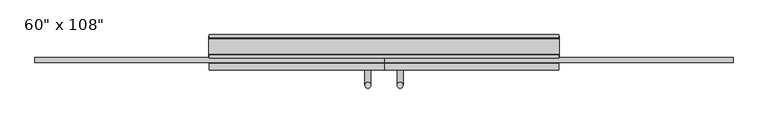
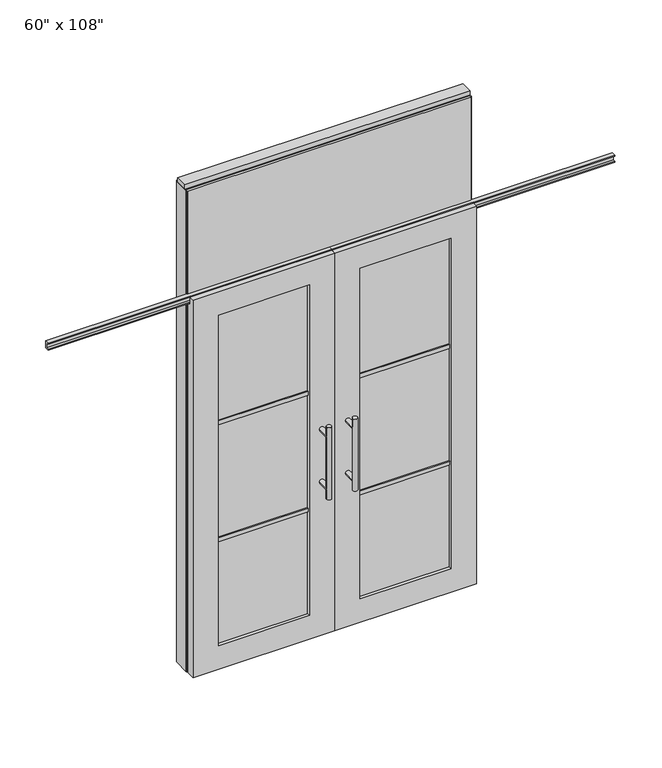
"""IFC4 building model written with IfcOpenShell, lengths in millimetres: furniture geometry."""

from ifc_helpers import new_model, si_unit, frame, origin, origin_with_axes, place, context, project, spatial, polyline, circle_curve, ellipse_curve, outline, extrude, faceted_brep, source, transform, mapped, element, save
from ifc_brep_helpers import plane_surface, cylinder_surface, advanced_brep


def furniture_05fa6e25(model_context):
    return source(origin(), model_context, "Body", "SolidModel", [
        extrude(outline(polyline([(698.0264771, 46.2822784), (698.0264771, 33.5822784), (-818.0995229, 33.5822784), (-818.0995229, 46.2822784), (698.0264771, 46.2822784)])), frame((0.0, 0.0, 2133.6), z_axis=(0.0, 0.0, 1.0), x_axis=(1.0, 0.0, 0.0)), (0.0, 0.0, 1.0), 584.2),
        extrude(outline(polyline([(698.0264771, -55.3177216), (-818.0995229, -55.3177216), (-818.0995229, -42.6177216), (698.0264771, -42.6177216), (698.0264771, -55.3177216)])), frame((0.0, 0.0, 2133.6), z_axis=(0.0, 0.0, 1.0), x_axis=(1.0, 0.0, 0.0)), (0.0, 0.0, 1.0), 584.2),
        advanced_brep(
        [(-117.3135229, 5.8962784, 1219.2), (-142.7135229, 5.8962784, 1219.2), (-117.3135229, 5.8962784, 812.8), (-142.7135229, 5.8962784, 812.8), (-117.3135229, 5.8962784, 1164.336), (-117.3135229, 5.8962784, 867.664), (-142.7135229, 5.8962784, 867.664), (-142.7135229, 5.8962784, 1164.336), (-117.3135229, -61.6677216, 1164.336), (-142.7135229, -61.6677216, 1164.336), (-117.3135229, -61.6677216, 867.664), (-142.7135229, -61.6677216, 867.664)],
        [
            (0, 1, circle_curve(frame((-130.0135229, 5.8962784, 1219.2), z_axis=(0.0, 0.0, 1.0), x_axis=(-1.0, 0.0, 0.0)), 12.7)),
            (1, 0, circle_curve(frame((-130.0135229, 5.8962784, 1219.2), z_axis=(0.0, 0.0, 1.0), x_axis=(-1.0, 0.0, 0.0)), 12.7)),
            (2, 3, circle_curve(frame((-130.0135229, 5.8962784, 812.8), z_axis=(0.0, 0.0, -1.0), x_axis=(-1.0, 0.0, 0.0)), 12.7)),
            (3, 2, circle_curve(frame((-130.0135229, 5.8962784, 812.8), z_axis=(0.0, 0.0, -1.0), x_axis=(-1.0, 0.0, 0.0)), 12.7)),
            (0, 4),
            (4, 5),
            (5, 2),
            (3, 6),
            (6, 7),
            (7, 1),
            (7, 4, ellipse_curve(frame((-130.0135229, 5.8962784, 1164.336), z_axis=(0.0, 0.707106781186565, 0.70710678118653), x_axis=(0.0, -0.70710678118653, 0.707106781186565)), 17.9605122, 12.7)),
            (5, 6, ellipse_curve(frame((-130.0135229, 5.8962784, 867.664), z_axis=(0.0, 0.70710678118653, -0.7071067811865649), x_axis=(0.0, 0.7071067811865648, 0.7071067811865301)), 17.9605122, 12.7)),
            (4, 7, ellipse_curve(frame((-130.0135229, 5.8962784, 1164.336), z_axis=(0.0, 0.70710678118653, -0.7071067811865649), x_axis=(0.0, 0.7071067811865648, 0.7071067811865301)), 17.9605122, 12.7)),
            (6, 5, ellipse_curve(frame((-130.0135229, 5.8962784, 867.664), z_axis=(0.0, 0.707106781186565, 0.70710678118653), x_axis=(0.0, -0.70710678118653, 0.707106781186565)), 17.9605122, 12.7)),
            (8, 9, circle_curve(frame((-130.0135229, -61.6677216, 1164.336), z_axis=(0.0, -1.0, 0.0), x_axis=(-1.0, 0.0, 0.0)), 12.7)),
            (9, 8, circle_curve(frame((-130.0135229, -61.6677216, 1164.336), z_axis=(0.0, -1.0, 0.0), x_axis=(-1.0, 0.0, 0.0)), 12.7)),
            (9, 7),
            (4, 8),
            (10, 11, circle_curve(frame((-130.0135229, -61.6677216, 867.664), z_axis=(0.0, -1.0, 0.0), x_axis=(-1.0, 0.0, 0.0)), 12.7)),
            (11, 10, circle_curve(frame((-130.0135229, -61.6677216, 867.664), z_axis=(0.0, -1.0, 0.0), x_axis=(-1.0, 0.0, 0.0)), 12.7)),
            (11, 6),
            (5, 10),
        ],
        [
            plane_surface(frame((-142.7135229, 5.8962784, 1219.2), z_axis=(0.0, 0.0, 1.0), x_axis=(0.0, -1.0, 0.0))),
            plane_surface(frame((-142.7135229, 5.8962784, 812.8), z_axis=(0.0, 0.0, -1.0), x_axis=(0.0, 1.0, 0.0))),
            cylinder_surface(frame((-130.0135229, 5.8962784, 812.8), z_axis=(0.0, 0.0, 1.0), x_axis=(-1.0, 0.0, 0.0)), 12.7),
            plane_surface(frame((-142.7135229, -61.6677216, 1164.336), z_axis=(0.0, -1.0, 0.0), x_axis=(0.0, 0.0, -1.0))),
            cylinder_surface(frame((-130.0135229, -61.6677216, 1164.336), z_axis=(0.0, 1.0, 0.0), x_axis=(-1.0, 0.0, 0.0)), 12.7),
            plane_surface(frame((-142.7135229, -61.6677216, 867.664), z_axis=(0.0, -1.0, 0.0), x_axis=(0.0, 0.0, -1.0))),
            cylinder_surface(frame((-130.0135229, -61.6677216, 867.664), z_axis=(0.0, 1.0, 0.0), x_axis=(-1.0, 0.0, 0.0)), 12.7),
        ],
        [
            (0, [[1, 2]]),
            (1, [[3, 4]]),
            (2, [[-1, 5, 6, 7, -4, 8, 9, 10]]),
            (2, [[-2, -10, 11, -5]]),
            (2, [[-3, -7, 12, -8]]),
            (2, [[13, -9, 14, -6]]),
            (3, [[15, 16]]),
            (4, [[-16, 17, -13, 18]]),
            (4, [[-15, -18, -11, -17]]),
            (5, [[19, 20]]),
            (6, [[-20, 21, -12, 22]]),
            (6, [[-19, -22, -14, -21]]),
        ],
    ),
        advanced_brep(
        [(-117.3135229, -173.6817216, 1219.2), (-142.7135229, -173.6817216, 1219.2), (-117.3135229, -173.6817216, 812.8), (-142.7135229, -173.6817216, 812.8), (-142.7135229, -173.6817216, 1164.336), (-142.7135229, -173.6817216, 867.664), (-117.3135229, -173.6817216, 867.664), (-117.3135229, -173.6817216, 1164.336), (-117.3135229, -106.1177216, 1164.336), (-142.7135229, -106.1177216, 1164.336), (-117.3135229, -106.1177216, 867.664), (-142.7135229, -106.1177216, 867.664)],
        [
            (0, 1, circle_curve(frame((-130.0135229, -173.6817216, 1219.2), z_axis=(0.0, 0.0, 1.0), x_axis=(-1.0, 0.0, 0.0)), 12.7)),
            (1, 0, circle_curve(frame((-130.0135229, -173.6817216, 1219.2), z_axis=(0.0, 0.0, 1.0), x_axis=(-1.0, 0.0, 0.0)), 12.7)),
            (2, 3, circle_curve(frame((-130.0135229, -173.6817216, 812.8), z_axis=(0.0, 0.0, -1.0), x_axis=(-1.0, 0.0, 0.0)), 12.7)),
            (3, 2, circle_curve(frame((-130.0135229, -173.6817216, 812.8), z_axis=(0.0, 0.0, -1.0), x_axis=(-1.0, 0.0, 0.0)), 12.7)),
            (1, 4),
            (4, 5),
            (5, 3),
            (2, 6),
            (6, 7),
            (7, 0),
            (6, 5, ellipse_curve(frame((-130.0135229, -173.6817216, 867.664), z_axis=(0.0, -0.707106781186565, 0.70710678118653), x_axis=(0.0, 0.70710678118653, 0.707106781186565)), 17.9605122, 12.7)),
            (4, 7, ellipse_curve(frame((-130.0135229, -173.6817216, 1164.336), z_axis=(0.0, -0.70710678118653, -0.7071067811865649), x_axis=(0.0, -0.7071067811865648, 0.7071067811865301)), 17.9605122, 12.7)),
            (7, 4, ellipse_curve(frame((-130.0135229, -173.6817216, 1164.336), z_axis=(0.0, -0.707106781186565, 0.70710678118653), x_axis=(0.0, 0.70710678118653, 0.707106781186565)), 17.9605122, 12.7)),
            (5, 6, ellipse_curve(frame((-130.0135229, -173.6817216, 867.664), z_axis=(0.0, -0.70710678118653, -0.7071067811865649), x_axis=(0.0, -0.7071067811865648, 0.7071067811865301)), 17.9605122, 12.7)),
            (8, 9, circle_curve(frame((-130.0135229, -106.1177216, 1164.336), z_axis=(0.0, 1.0, 0.0), x_axis=(-1.0, 0.0, 0.0)), 12.7)),
            (9, 8, circle_curve(frame((-130.0135229, -106.1177216, 1164.336), z_axis=(0.0, 1.0, 0.0), x_axis=(-1.0, 0.0, 0.0)), 12.7)),
            (8, 7),
            (4, 9),
            (10, 11, circle_curve(frame((-130.0135229, -106.1177216, 867.664), z_axis=(0.0, 1.0, 0.0), x_axis=(-1.0, 0.0, 0.0)), 12.7)),
            (11, 10, circle_curve(frame((-130.0135229, -106.1177216, 867.664), z_axis=(0.0, 1.0, 0.0), x_axis=(-1.0, 0.0, 0.0)), 12.7)),
            (10, 6),
            (5, 11),
        ],
        [
            plane_surface(frame((-142.7135229, -173.6817216, 1219.2), z_axis=(0.0, 0.0, 1.0), x_axis=(0.0, 1.0, 0.0))),
            plane_surface(frame((-142.7135229, -173.6817216, 812.8), z_axis=(0.0, 0.0, -1.0), x_axis=(0.0, -1.0, 0.0))),
            cylinder_surface(frame((-130.0135229, -173.6817216, 812.8), z_axis=(0.0, 0.0, 1.0), x_axis=(-1.0, 0.0, 0.0)), 12.7),
            plane_surface(frame((-142.7135229, -106.1177216, 1164.336), z_axis=(0.0, 1.0, 0.0), x_axis=(0.0, 0.0, -1.0))),
            cylinder_surface(frame((-130.0135229, -106.1177216, 1164.336), z_axis=(0.0, -1.0, 0.0), x_axis=(-1.0, 0.0, 0.0)), 12.7),
            plane_surface(frame((-142.7135229, -106.1177216, 867.664), z_axis=(0.0, 1.0, 0.0), x_axis=(0.0, 0.0, -1.0))),
            cylinder_surface(frame((-130.0135229, -106.1177216, 867.664), z_axis=(0.0, -1.0, 0.0), x_axis=(-1.0, 0.0, 0.0)), 12.7),
        ],
        [
            (0, [[1, 2]]),
            (1, [[3, 4]]),
            (2, [[5, 6, 7, -3, 8, 9, 10, -2]]),
            (2, [[-9, 11, -6, 12]]),
            (2, [[-10, 13, -5, -1]]),
            (2, [[-7, 14, -8, -4]]),
            (3, [[15, 16]]),
            (4, [[17, -12, 18, -15]]),
            (4, [[-18, -13, -17, -16]]),
            (5, [[19, 20]]),
            (6, [[21, -14, 22, -19]]),
            (6, [[-22, -11, -21, -20]]),
        ],
    ),
        extrude(outline(polyline([(-196.0535229, -95.0052216), (-682.0825229, -95.0052216), (-682.0825229, -72.7802216), (-196.0535229, -72.7802216), (-196.0535229, -95.0052216)])), frame((0.0, 0.0, 1371.6), z_axis=(0.0, 0.0, 1.0), x_axis=(1.0, 0.0, 0.0)), (0.0, 0.0, 1.0), 22.225),
        extrude(outline(polyline([(-196.0535229, -95.0052216), (-682.0825229, -95.0052216), (-682.0825229, -72.7802216), (-196.0535229, -72.7802216), (-196.0535229, -95.0052216)])), frame((0.0, 0.0, 711.2), z_axis=(0.0, 0.0, 1.0), x_axis=(1.0, 0.0, 0.0)), (0.0, 0.0, 1.0), 22.225),
        extrude(outline(polyline([(-682.0825229, -88.9727216), (-682.0825229, -78.8127216), (-196.0535229, -78.8127216), (-196.0535229, -88.9727216), (-682.0825229, -88.9727216)])), frame((0.0, 0.0, 132.969), z_axis=(0.0, 0.0, 1.0), x_axis=(1.0, 0.0, 0.0)), (0.0, 0.0, 1.0), 1867.662),
        extrude(outline(polyline([(-75.3837216, 2097.278), (-75.3837216, 2102.612), (-62.6837216, 2102.612), (-62.6837216, 2131.568), (-75.3837216, 2131.568), (-75.3837216, 2136.902), (-53.6667216, 2136.902), (-53.6667216, 2097.278), (-75.3837216, 2097.278)])), frame((-1576.1625229, 0.0, 0.0), z_axis=(1.0, 0.0, 0.0), x_axis=(0.0, 1.0, 0.0)), (0.0, 0.0, 1.0), 1516.126),
        faceted_brep([(-60.0365229, -106.1177216, 0.0), (-60.0365229, -106.1177216, 2133.6), (-818.0995229, -106.1177216, 2133.6), (-818.0995229, -106.1177216, 0.0), (-682.0825229, -106.1177216, 2000.631), (-196.0535229, -106.1177216, 2000.631), (-196.0535229, -106.1177216, 132.969), (-682.0825229, -106.1177216, 132.969), (-60.0365229, -78.6857216, 2133.6), (-60.0365229, -78.6857216, 2089.023), (-818.0995229, -78.6857216, 2089.023), (-818.0995229, -78.6857216, 2133.6), (-60.0365229, -61.6677216, 0.0), (-60.0365229, -61.6677216, 2089.023), (-818.0995229, -61.6677216, 2089.023), (-818.0995229, -61.6677216, 0.0), (-682.0825229, -61.6677216, 2000.631), (-682.0825229, -61.6677216, 132.969), (-196.0535229, -61.6677216, 132.969), (-196.0535229, -61.6677216, 2000.631)], [[[0, 1, 2, 3], [4, 5, 6, 7]], [[8, 9, 10, 11]], [[0, 12, 13, 9, 8, 1]], [[2, 11, 10, 14, 15, 3]], [[1, 8, 11, 2]], [[14, 13, 12, 15], [16, 17, 18, 19]], [[14, 10, 9, 13]], [[3, 15, 12, 0]], [[7, 17, 16, 4]], [[6, 18, 17, 7]], [[5, 19, 18, 6]], [[4, 16, 19, 5]]]),
        advanced_brep(
        [(-2.7595229, 5.8962784, 1219.2), (22.6404771, 5.8962784, 1219.2), (-2.7595229, 5.8962784, 812.8), (22.6404771, 5.8962784, 812.8), (22.6404771, 5.8962784, 1164.336), (22.6404771, 5.8962784, 867.664), (-2.7595229, 5.8962784, 867.664), (-2.7595229, 5.8962784, 1164.336), (-2.7595229, -61.6677216, 1164.336), (22.6404771, -61.6677216, 1164.336), (-2.7595229, -61.6677216, 867.664), (22.6404771, -61.6677216, 867.664)],
        [
            (0, 1, circle_curve(frame((9.9404771, 5.8962784, 1219.2), z_axis=(0.0, 0.0, 1.0), x_axis=(1.0, 0.0, 0.0)), 12.7)),
            (1, 0, circle_curve(frame((9.9404771, 5.8962784, 1219.2), z_axis=(0.0, 0.0, 1.0), x_axis=(1.0, 0.0, 0.0)), 12.7)),
            (2, 3, circle_curve(frame((9.9404771, 5.8962784, 812.8), z_axis=(0.0, 0.0, -1.0), x_axis=(1.0, 0.0, 0.0)), 12.7)),
            (3, 2, circle_curve(frame((9.9404771, 5.8962784, 812.8), z_axis=(0.0, 0.0, -1.0), x_axis=(1.0, 0.0, 0.0)), 12.7)),
            (1, 4),
            (4, 5),
            (5, 3),
            (2, 6),
            (6, 7),
            (7, 0),
            (6, 5, ellipse_curve(frame((9.9404771, 5.8962784, 867.664), z_axis=(0.0, 0.707106781186565, 0.70710678118653), x_axis=(0.0, -0.70710678118653, 0.707106781186565)), 17.9605122, 12.7)),
            (4, 7, ellipse_curve(frame((9.9404771, 5.8962784, 1164.336), z_axis=(0.0, 0.70710678118653, -0.7071067811865649), x_axis=(0.0, 0.7071067811865648, 0.7071067811865301)), 17.9605122, 12.7)),
            (7, 4, ellipse_curve(frame((9.9404771, 5.8962784, 1164.336), z_axis=(0.0, 0.707106781186565, 0.70710678118653), x_axis=(0.0, -0.70710678118653, 0.707106781186565)), 17.9605122, 12.7)),
            (5, 6, ellipse_curve(frame((9.9404771, 5.8962784, 867.664), z_axis=(0.0, 0.70710678118653, -0.7071067811865649), x_axis=(0.0, 0.7071067811865648, 0.7071067811865301)), 17.9605122, 12.7)),
            (8, 9, circle_curve(frame((9.9404771, -61.6677216, 1164.336), z_axis=(0.0, -1.0, 0.0), x_axis=(1.0, 0.0, 0.0)), 12.7)),
            (9, 8, circle_curve(frame((9.9404771, -61.6677216, 1164.336), z_axis=(0.0, -1.0, 0.0), x_axis=(1.0, 0.0, 0.0)), 12.7)),
            (8, 7),
            (4, 9),
            (10, 11, circle_curve(frame((9.9404771, -61.6677216, 867.664), z_axis=(0.0, -1.0, 0.0), x_axis=(1.0, 0.0, 0.0)), 12.7)),
            (11, 10, circle_curve(frame((9.9404771, -61.6677216, 867.664), z_axis=(0.0, -1.0, 0.0), x_axis=(1.0, 0.0, 0.0)), 12.7)),
            (10, 6),
            (5, 11),
        ],
        [
            plane_surface(frame((22.6404771, 5.8962784, 1219.2), z_axis=(0.0, 0.0, 1.0), x_axis=(0.0, -1.0, 0.0))),
            plane_surface(frame((22.6404771, 5.8962784, 812.8), z_axis=(0.0, 0.0, -1.0), x_axis=(0.0, 1.0, 0.0))),
            cylinder_surface(frame((9.9404771, 5.8962784, 812.8), z_axis=(0.0, 0.0, 1.0), x_axis=(1.0, 0.0, 0.0)), 12.7),
            plane_surface(frame((22.6404771, -61.6677216, 1164.336), z_axis=(0.0, -1.0, 0.0), x_axis=(0.0, 0.0, -1.0))),
            cylinder_surface(frame((9.9404771, -61.6677216, 1164.336), z_axis=(0.0, 1.0, 0.0), x_axis=(1.0, 0.0, 0.0)), 12.7),
            plane_surface(frame((22.6404771, -61.6677216, 867.664), z_axis=(0.0, -1.0, 0.0), x_axis=(0.0, 0.0, -1.0))),
            cylinder_surface(frame((9.9404771, -61.6677216, 867.664), z_axis=(0.0, 1.0, 0.0), x_axis=(1.0, 0.0, 0.0)), 12.7),
        ],
        [
            (0, [[1, 2]]),
            (1, [[3, 4]]),
            (2, [[5, 6, 7, -3, 8, 9, 10, -2]]),
            (2, [[-9, 11, -6, 12]]),
            (2, [[-10, 13, -5, -1]]),
            (2, [[-7, 14, -8, -4]]),
            (3, [[15, 16]]),
            (4, [[17, -12, 18, -15]]),
            (4, [[-18, -13, -17, -16]]),
            (5, [[19, 20]]),
            (6, [[21, -14, 22, -19]]),
            (6, [[-22, -11, -21, -20]]),
        ],
    ),
        advanced_brep(
        [(-2.7595229, -173.6817216, 1219.2), (22.6404771, -173.6817216, 1219.2), (-2.7595229, -173.6817216, 812.8), (22.6404771, -173.6817216, 812.8), (-2.7595229, -173.6817216, 1164.336), (-2.7595229, -173.6817216, 867.664), (22.6404771, -173.6817216, 867.664), (22.6404771, -173.6817216, 1164.336), (-2.7595229, -106.1177216, 1164.336), (22.6404771, -106.1177216, 1164.336), (-2.7595229, -106.1177216, 867.664), (22.6404771, -106.1177216, 867.664)],
        [
            (0, 1, circle_curve(frame((9.9404771, -173.6817216, 1219.2), z_axis=(0.0, 0.0, 1.0), x_axis=(1.0, 0.0, 0.0)), 12.7)),
            (1, 0, circle_curve(frame((9.9404771, -173.6817216, 1219.2), z_axis=(0.0, 0.0, 1.0), x_axis=(1.0, 0.0, 0.0)), 12.7)),
            (2, 3, circle_curve(frame((9.9404771, -173.6817216, 812.8), z_axis=(0.0, 0.0, -1.0), x_axis=(1.0, 0.0, 0.0)), 12.7)),
            (3, 2, circle_curve(frame((9.9404771, -173.6817216, 812.8), z_axis=(0.0, 0.0, -1.0), x_axis=(1.0, 0.0, 0.0)), 12.7)),
            (0, 4),
            (4, 5),
            (5, 2),
            (3, 6),
            (6, 7),
            (7, 1),
            (7, 4, ellipse_curve(frame((9.9404771, -173.6817216, 1164.336), z_axis=(0.0, -0.707106781186565, 0.70710678118653), x_axis=(0.0, 0.70710678118653, 0.707106781186565)), 17.9605122, 12.7)),
            (5, 6, ellipse_curve(frame((9.9404771, -173.6817216, 867.664), z_axis=(0.0, -0.70710678118653, -0.7071067811865649), x_axis=(0.0, -0.7071067811865648, 0.7071067811865301)), 17.9605122, 12.7)),
            (4, 7, ellipse_curve(frame((9.9404771, -173.6817216, 1164.336), z_axis=(0.0, -0.70710678118653, -0.7071067811865649), x_axis=(0.0, -0.7071067811865648, 0.7071067811865301)), 17.9605122, 12.7)),
            (6, 5, ellipse_curve(frame((9.9404771, -173.6817216, 867.664), z_axis=(0.0, -0.707106781186565, 0.70710678118653), x_axis=(0.0, 0.70710678118653, 0.707106781186565)), 17.9605122, 12.7)),
            (8, 9, circle_curve(frame((9.9404771, -106.1177216, 1164.336), z_axis=(0.0, 1.0, 0.0), x_axis=(1.0, 0.0, 0.0)), 12.7)),
            (9, 8, circle_curve(frame((9.9404771, -106.1177216, 1164.336), z_axis=(0.0, 1.0, 0.0), x_axis=(1.0, 0.0, 0.0)), 12.7)),
            (9, 7),
            (4, 8),
            (10, 11, circle_curve(frame((9.9404771, -106.1177216, 867.664), z_axis=(0.0, 1.0, 0.0), x_axis=(1.0, 0.0, 0.0)), 12.7)),
            (11, 10, circle_curve(frame((9.9404771, -106.1177216, 867.664), z_axis=(0.0, 1.0, 0.0), x_axis=(1.0, 0.0, 0.0)), 12.7)),
            (11, 6),
            (5, 10),
        ],
        [
            plane_surface(frame((22.6404771, -173.6817216, 1219.2), z_axis=(0.0, 0.0, 1.0), x_axis=(0.0, 1.0, 0.0))),
            plane_surface(frame((22.6404771, -173.6817216, 812.8), z_axis=(0.0, 0.0, -1.0), x_axis=(0.0, -1.0, 0.0))),
            cylinder_surface(frame((9.9404771, -173.6817216, 812.8), z_axis=(0.0, 0.0, 1.0), x_axis=(1.0, 0.0, 0.0)), 12.7),
            plane_surface(frame((22.6404771, -106.1177216, 1164.336), z_axis=(0.0, 1.0, 0.0), x_axis=(0.0, 0.0, -1.0))),
            cylinder_surface(frame((9.9404771, -106.1177216, 1164.336), z_axis=(0.0, -1.0, 0.0), x_axis=(1.0, 0.0, 0.0)), 12.7),
            plane_surface(frame((22.6404771, -106.1177216, 867.664), z_axis=(0.0, 1.0, 0.0), x_axis=(0.0, 0.0, -1.0))),
            cylinder_surface(frame((9.9404771, -106.1177216, 867.664), z_axis=(0.0, -1.0, 0.0), x_axis=(1.0, 0.0, 0.0)), 12.7),
        ],
        [
            (0, [[1, 2]]),
            (1, [[3, 4]]),
            (2, [[-1, 5, 6, 7, -4, 8, 9, 10]]),
            (2, [[-2, -10, 11, -5]]),
            (2, [[-3, -7, 12, -8]]),
            (2, [[13, -9, 14, -6]]),
            (3, [[15, 16]]),
            (4, [[-16, 17, -13, 18]]),
            (4, [[-15, -18, -11, -17]]),
            (5, [[19, 20]]),
            (6, [[-20, 21, -12, 22]]),
            (6, [[-19, -22, -14, -21]]),
        ],
    ),
        extrude(outline(polyline([(75.9804771, -95.0052216), (75.9804771, -72.7802216), (562.0094771, -72.7802216), (562.0094771, -95.0052216), (75.9804771, -95.0052216)])), frame((0.0, 0.0, 1371.6), z_axis=(0.0, 0.0, 1.0), x_axis=(1.0, 0.0, 0.0)), (0.0, 0.0, 1.0), 22.225),
        extrude(outline(polyline([(75.9804771, -95.0052216), (75.9804771, -72.7802216), (562.0094771, -72.7802216), (562.0094771, -95.0052216), (75.9804771, -95.0052216)])), frame((0.0, 0.0, 711.2), z_axis=(0.0, 0.0, 1.0), x_axis=(1.0, 0.0, 0.0)), (0.0, 0.0, 1.0), 22.225),
        extrude(outline(polyline([(562.0094771, -88.9727216), (75.9804771, -88.9727216), (75.9804771, -78.8127216), (562.0094771, -78.8127216), (562.0094771, -88.9727216)])), frame((0.0, 0.0, 132.969), z_axis=(0.0, 0.0, 1.0), x_axis=(1.0, 0.0, 0.0)), (0.0, 0.0, 1.0), 1867.662),
        extrude(outline(polyline([(-75.3837216, 2097.278), (-75.3837216, 2102.612), (-62.6837216, 2102.612), (-62.6837216, 2131.568), (-75.3837216, 2131.568), (-75.3837216, 2136.902), (-53.6667216, 2136.902), (-53.6667216, 2097.278), (-75.3837216, 2097.278)])), frame((-60.0365229, 0.0, 0.0), z_axis=(1.0, 0.0, 0.0), x_axis=(0.0, 1.0, 0.0)), (0.0, 0.0, 1.0), 1516.126),
        faceted_brep([(-60.0365229, -106.1177216, 0.0), (698.0264771, -106.1177216, 0.0), (698.0264771, -106.1177216, 2133.6), (-60.0365229, -106.1177216, 2133.6), (562.0094771, -106.1177216, 2000.631), (562.0094771, -106.1177216, 132.969), (75.9804771, -106.1177216, 132.969), (75.9804771, -106.1177216, 2000.631), (-60.0365229, -78.6857216, 2133.6), (698.0264771, -78.6857216, 2133.6), (698.0264771, -78.6857216, 2089.023), (-60.0365229, -78.6857216, 2089.023), (-60.0365229, -61.6677216, 2089.023), (-60.0365229, -61.6677216, 0.0), (698.0264771, -61.6677216, 0.0), (698.0264771, -61.6677216, 2089.023), (562.0094771, -61.6677216, 2000.631), (75.9804771, -61.6677216, 2000.631), (75.9804771, -61.6677216, 132.969), (562.0094771, -61.6677216, 132.969)], [[[0, 1, 2, 3], [4, 5, 6, 7]], [[8, 9, 10, 11]], [[0, 3, 8, 11, 12, 13]], [[2, 1, 14, 15, 10, 9]], [[3, 2, 9, 8]], [[15, 14, 13, 12], [16, 17, 18, 19]], [[15, 12, 11, 10]], [[1, 0, 13, 14]], [[5, 4, 16, 19]], [[6, 5, 19, 18]], [[7, 6, 18, 17]], [[4, 7, 17, 16]]]),
        extrude(outline(polyline([(-42.6177216, 2681.478), (-42.6177216, 2717.8), (33.5822784, 2717.8), (33.5822784, 2681.478), (28.6292784, 2681.478), (28.6292784, 2676.525), (-37.6647216, 2676.525), (-37.6647216, 2681.478), (-42.6177216, 2681.478)])), frame((-818.0995229, 0.0, 0.0), z_axis=(1.0, 0.0, 0.0), x_axis=(0.0, 1.0, 0.0)), (0.0, 0.0, 1.0), 1516.126),
        extrude(outline(polyline([(-818.0995229, -55.3177216), (-818.0995229, 46.2822784), (698.0264771, 46.2822784), (698.0264771, -55.3177216), (-818.0995229, -55.3177216)])), frame((0.0, 0.0, 2070.1), z_axis=(0.0, 0.0, 1.0), x_axis=(1.0, 0.0, 0.0)), (0.0, 0.0, 1.0), 22.225),
        extrude(outline(polyline([(-55.3177216, 2097.278), (-55.3177216, 2133.6), (46.2822784, 2133.6), (46.2822784, 2097.278), (41.3292784, 2097.278), (41.3292784, 2092.325), (-50.3647216, 2092.325), (-50.3647216, 2097.278), (-55.3177216, 2097.278)])), frame((-818.0995229, 0.0, 0.0), z_axis=(1.0, 0.0, 0.0), x_axis=(0.0, 1.0, 0.0)), (0.0, 0.0, 1.0), 1516.126),
        extrude(outline(polyline([(701.9634771, -50.3647216), (698.0264771, -50.3647216), (698.0264771, 41.3292784), (701.9634771, 41.3292784), (701.9634771, -50.3647216)])), origin_with_axes(), (0.0, 0.0, 1.0), 2717.8),
        extrude(outline(polyline([(-822.0365229, -50.3647216), (-822.0365229, 41.3292784), (-818.0995229, 41.3292784), (-818.0995229, -50.3647216), (-822.0365229, -50.3647216)])), origin_with_axes(), (0.0, 0.0, 1.0), 2717.8),
        extrude(outline(polyline([(675.8014771, -55.3177216), (675.8014771, 46.2822784), (698.0264771, 46.2822784), (698.0264771, -55.3177216), (675.8014771, -55.3177216)])), origin_with_axes(), (0.0, 0.0, 1.0), 2070.1),
        extrude(outline(polyline([(-795.8745229, -55.3177216), (-818.0995229, -55.3177216), (-818.0995229, 46.2822784), (-795.8745229, 46.2822784), (-795.8745229, -55.3177216)])), origin_with_axes(), (0.0, 0.0, 1.0), 2070.1),
        extrude(outline(polyline([(-822.0365229, -37.0297216), (-822.0365229, 27.9942784), (701.9634771, 27.9942784), (701.9634771, -37.0297216), (-822.0365229, -37.0297216)])), frame((0.0, 0.0, 2717.8), z_axis=(0.0, 0.0, 1.0), x_axis=(1.0, 0.0, 0.0)), (0.0, 0.0, 1.0), 25.4),
    ])


if __name__ == "__main__":
    model = new_model("IFC4")
    model_context = context("Model", 3, world=origin())
    ifc_project = project(units=[si_unit("LENGTHUNIT", "METRE", prefix="MILLI")], contexts=[model_context])
    site = spatial("IfcSite", under=ifc_project)
    building = spatial("IfcBuilding", under=site)
    placement = place(None, origin())
    furniture_shape = furniture_05fa6e25(model_context)
    element("IfcFurniture", 1, ObjectType="60\" x 108\"", at=placement, inside=building, context=model_context, shape_type="MappedRepresentation", body=[
        mapped(furniture_shape, transform((0.0, 0.0, 0.0), x_axis=(1.0, 0.0, 0.0), y_axis=(0.0, 1.0, 0.0), z_axis=(0.0, 0.0, 1.0))),
    ])
    save(model, "model.ifc")
